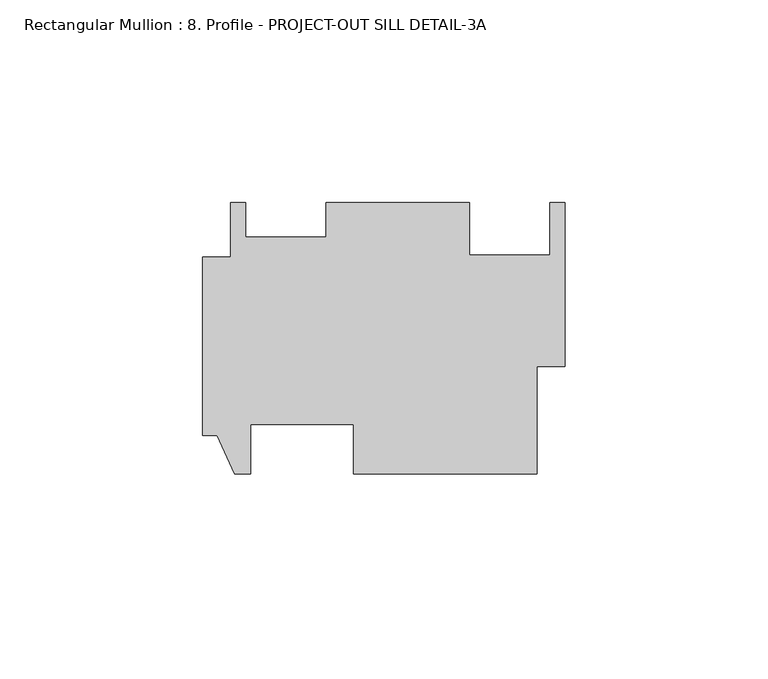
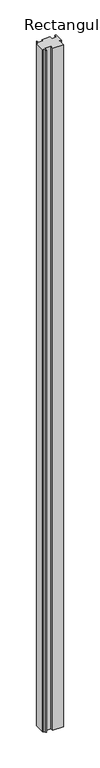
"""IFC4 building model written with IfcOpenShell, lengths in millimetres: member geometry, Rectangular Mullion : 8. Profile - PROJECT-OUT SILL DETAIL-3A."""

import ifcopenshell
import ifcopenshell.guid

model = None  # the IFC model being written
_history = None  # IfcOwnerHistory: only IFC2X3 demands one
_inside = {}  # id of a spatial element -> (the spatial element, [elements in it])
_under = {}  # id of a project, library or spatial element -> (it, [spatial elements below it])
_declared = {}  # id of a project -> (the project, [libraries it declares])
_typed = {}  # id of a type object -> (the type object, [elements of that type])
_made_of = {}  # id of a material, layer set ... -> (it, [elements and type objects made of it])


def new_model(schema):
    """Start an empty IFC model of exactly this schema.

    Asked for "IFC4X3", IfcOpenShell would pick the latest addendum, in which some entities
    have other attributes; the version numbers below select the first issue.
    IFC2X3 requires an IfcOwnerHistory on every rooted entity: one is made here for all.
    """
    global model, _history
    if schema == "IFC4X3":
        model = ifcopenshell.file(schema_version=(4, 3, 0, 0))
    else:
        model = ifcopenshell.file(schema=schema)
    _inside.clear()
    _under.clear()
    _declared.clear()
    _typed.clear()
    _made_of.clear()
    _history = None
    if model.schema == "IFC2X3":
        org = make("IfcOrganization", Name="unknown")
        user = make(
            "IfcPersonAndOrganization",
            ThePerson=make("IfcPerson", FamilyName="unknown"),
            TheOrganization=org,
        )
        app = make(
            "IfcApplication",
            ApplicationDeveloper=org,
            Version="unknown",
            ApplicationFullName="unknown",
            ApplicationIdentifier="unknown",
        )
        _history = make(
            "IfcOwnerHistory",
            OwningUser=user,
            OwningApplication=app,
            ChangeAction="ADDED",
            CreationDate=0,
        )
    return model


def make(cls, **values):
    """One entity of the class cls with the attributes given. An attribute that is None is left unset."""
    return model.create_entity(
        cls, **{name: value for name, value in values.items() if value is not None}
    )


def rooted(cls, **values):
    """An entity with a GlobalId (a new one), such as an element, a storey or a relation."""
    return make(cls, GlobalId=ifcopenshell.guid.new(), OwnerHistory=_history, **values)


def si_unit(unit_type, name, prefix=None):
    """IfcSIUnit, for example si_unit("LENGTHUNIT", "METRE", prefix="MILLI")."""
    return make("IfcSIUnit", UnitType=unit_type, Prefix=prefix, Name=name)


def assignment(units):
    """IfcUnitAssignment: the units of a project."""
    return None if units is None else make("IfcUnitAssignment", Units=units)


def point(xyz):
    """IfcCartesianPoint."""
    return None if xyz is None else make("IfcCartesianPoint", Coordinates=xyz)


def direction(xyz):
    """IfcDirection."""
    return None if xyz is None else make("IfcDirection", DirectionRatios=xyz)


def frame(location, z_axis=None, x_axis=None):
    """IfcAxis2Placement3D, a coordinate frame: its origin and axes. An axis left out is left unset."""
    return make(
        "IfcAxis2Placement3D",
        Location=point(location),
        Axis=direction(z_axis),
        RefDirection=direction(x_axis),
    )


def origin():
    """The frame at (0, 0, 0) with its axes left unset."""
    return frame((0.0, 0.0, 0.0))


def place(relative_to, where):
    """IfcLocalPlacement: puts the frame where relative to a parent placement (None: the world)."""
    return make(
        "IfcLocalPlacement", PlacementRelTo=relative_to, RelativePlacement=where
    )


def context(
    kind, dimensions, precision=None, world=None, true_north=None, identifier=None
):
    """IfcGeometricRepresentationContext, for example the 3D "Model" context."""
    return make(
        "IfcGeometricRepresentationContext",
        ContextIdentifier=identifier,
        ContextType=kind,
        CoordinateSpaceDimension=dimensions,
        Precision=precision,
        WorldCoordinateSystem=world,
        TrueNorth=true_north,
    )


def project(units=None, contexts=None):
    """IfcProject with its units and contexts."""
    return rooted(
        "IfcProject",
        Name="project",
        RepresentationContexts=contexts,
        UnitsInContext=assignment(units),
    )


def spatial(cls, under=None, at=None, **own):
    """A site, building, storey or space (cls), placed at a placement, below another one or the project."""
    s = rooted(cls, ObjectPlacement=at, **own)
    if under is not None:
        _under.setdefault(under.id(), (under, []))[1].append(s)
    return s


def polyline(points):
    """IfcPolyline through the points."""
    return make("IfcPolyline", Points=[point(p) for p in points])


def outline(outer, holes=None, kind="AREA"):
    """IfcArbitraryClosedProfileDef: a profile drawn as a closed curve; with holes, ...WithVoids."""
    if holes is None:
        return make("IfcArbitraryClosedProfileDef", ProfileType=kind, OuterCurve=outer)
    return make(
        "IfcArbitraryProfileDefWithVoids",
        ProfileType=kind,
        OuterCurve=outer,
        InnerCurves=holes,
    )


def extrude(swept, where, along, depth):
    """IfcExtrudedAreaSolid: the profile swept, set in the frame where, extruded along a direction by depth."""
    return make(
        "IfcExtrudedAreaSolid",
        SweptArea=swept,
        Position=where,
        ExtrudedDirection=direction(along),
        Depth=depth,
    )


def shape(context_of_items, identifier, shape_type, items):
    """IfcShapeRepresentation: the items that make up one representation, for example the "Body"."""
    return make(
        "IfcShapeRepresentation",
        ContextOfItems=context_of_items,
        RepresentationIdentifier=identifier,
        RepresentationType=shape_type,
        Items=items,
    )


def source(mapping_origin, context_of_items, identifier, shape_type, items):
    """IfcRepresentationMap: a shape defined once, which mapped items show again and again."""
    return make(
        "IfcRepresentationMap",
        MappingOrigin=mapping_origin,
        MappedRepresentation=shape(context_of_items, identifier, shape_type, items),
    )


def transform(
    local_origin,
    x_axis=None,
    y_axis=None,
    z_axis=None,
    scale=None,
    scale2=None,
    scale3=None,
    uniform=True,
):
    """IfcCartesianTransformationOperator3D, or its non-uniform kind. x_axis, y_axis, z_axis: its Axis1, 2, 3."""
    if uniform:
        return make(
            "IfcCartesianTransformationOperator3D",
            Axis1=direction(x_axis),
            Axis2=direction(y_axis),
            LocalOrigin=point(local_origin),
            Scale=scale,
            Axis3=direction(z_axis),
        )
    return make(
        "IfcCartesianTransformationOperator3DnonUniform",
        Axis1=direction(x_axis),
        Axis2=direction(y_axis),
        LocalOrigin=point(local_origin),
        Scale=scale,
        Axis3=direction(z_axis),
        Scale2=scale2,
        Scale3=scale3,
    )


def mapped(mapping_source, mapping_target):
    """IfcMappedItem: shows the shape of a source again, moved by a transform."""
    return make(
        "IfcMappedItem", MappingSource=mapping_source, MappingTarget=mapping_target
    )


def made_of(thing, what):
    """Note that an element or type object is made of a material, layer set ...; save() writes the relation."""
    if what is not None:
        _made_of.setdefault(what.id(), (what, []))[1].append(thing)
    return thing


def element(
    cls,
    number,
    at=None,
    inside=None,
    cuts=None,
    type_object=None,
    material=None,
    context=None,
    identifier="Body",
    shape_type=None,
    held_by="IfcProductDefinitionShape",
    body=None,
    shapes=None,
    **own,
):
    """One element of the class cls, such as IfcWall. Its Tag is "e" and its number.

    at: its placement. inside: the storey or other place that contains it. cuts: it is an
    opening in that element (IfcRelVoidsElement). A single representation is given by context,
    identifier, shape_type and body (its items); several are given by shapes. held_by: the class
    of the entity that holds the representations. save() writes the other relations.
    """
    e = rooted(cls, Tag="e%d" % number, ObjectPlacement=at, **own)
    if body is not None:
        shapes = [shape(context, identifier, shape_type, body)]
    if shapes is not None:
        e.Representation = make(held_by, Representations=shapes)
    if inside is not None:
        _inside.setdefault(inside.id(), (inside, []))[1].append(e)
    if cuts is not None:
        rooted(
            "IfcRelVoidsElement", RelatingBuildingElement=cuts, RelatedOpeningElement=e
        )
    if type_object is not None:
        _typed.setdefault(type_object.id(), (type_object, []))[1].append(e)
    return made_of(e, material)


def aggregate(whole, parts):
    """IfcRelAggregates: a whole, such as a stair, and the parts it consists of."""
    return rooted("IfcRelAggregates", RelatingObject=whole, RelatedObjects=parts)


def save(model, path):
    """Write the relations noted so far, then the file.

    IfcRelAggregates (storeys below a building ...), IfcRelContainedInSpatialStructure (elements
    in a storey), IfcRelDefinesByType, IfcRelAssociatesMaterial and IfcRelDeclares: one each for
    every whole, place, type object, material and project.
    """
    for whole, parts in _under.values():
        aggregate(whole, parts)
    for where, things in _inside.values():
        rooted(
            "IfcRelContainedInSpatialStructure",
            RelatedElements=things,
            RelatingStructure=where,
        )
    for kind, things in _typed.values():
        rooted("IfcRelDefinesByType", RelatedObjects=things, RelatingType=kind)
    for what, things in _made_of.values():
        rooted("IfcRelAssociatesMaterial", RelatedObjects=things, RelatingMaterial=what)
    for by, libraries in _declared.values():
        rooted("IfcRelDeclares", RelatingContext=by, RelatedDefinitions=libraries)
    model.write(path)


def rectangular_mullion_8_profile_project_out_sill_detail_3a_df5b972a(model_context):
    return source(origin(), model_context, "Body", "SweptSolid", [
        extrude(outline(polyline([(-89.4588, -24.8412), (-89.4588, 19.1262), (-82.55, 19.1262), (-82.55, 32.6136), (-78.8162, 32.6136), (-78.8162, 24.1342174), (-58.9788, 24.1342174), (-58.9788, 32.6136), (-23.5712, 32.6136), (-23.5712, 19.6431741), (-3.7338, 19.6431741), (-3.7338, 32.6136), (0.0, 32.6136), (0.0, -7.874), (-6.9088, -7.874), (-6.9088, -34.3662), (-52.2224, -34.3662), (-52.2224, -22.1488), (-77.6224, -22.1488), (-77.6224, -34.3662), (-81.534, -34.3662), (-85.852, -24.8412), (-89.4588, -24.8412)])), frame((0.0, 0.0, -3048.0), z_axis=(0.0, 0.0, 1.0), x_axis=(1.0, 0.0, 0.0)), (0.0, 0.0, 1.0), 3048.0),
    ])


if __name__ == "__main__":
    model = new_model("IFC4")
    model_context = context("Model", 3, world=origin())
    ifc_project = project(units=[si_unit("LENGTHUNIT", "METRE", prefix="MILLI")], contexts=[model_context])
    site = spatial("IfcSite", under=ifc_project)
    building = spatial("IfcBuilding", under=site)
    placement = place(None, origin())
    rectangular_mullion_8_profile_project_out_sill_detail_3a_shape = rectangular_mullion_8_profile_project_out_sill_detail_3a_df5b972a(model_context)
    element("IfcMember", 1, ObjectType="Rectangular Mullion : 8. Profile - PROJECT-OUT SILL DETAIL-3A", at=placement, inside=building, context=model_context, shape_type="MappedRepresentation", body=[
        mapped(rectangular_mullion_8_profile_project_out_sill_detail_3a_shape, transform((0.0, 0.0, 0.0), x_axis=(1.0, 0.0, 0.0), y_axis=(0.0, 1.0, 0.0), z_axis=(0.0, 0.0, 1.0))),
    ])
    save(model, "model.ifc")
